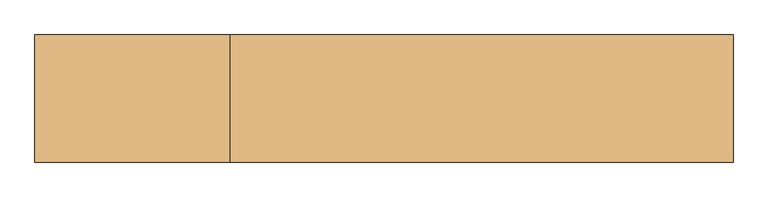
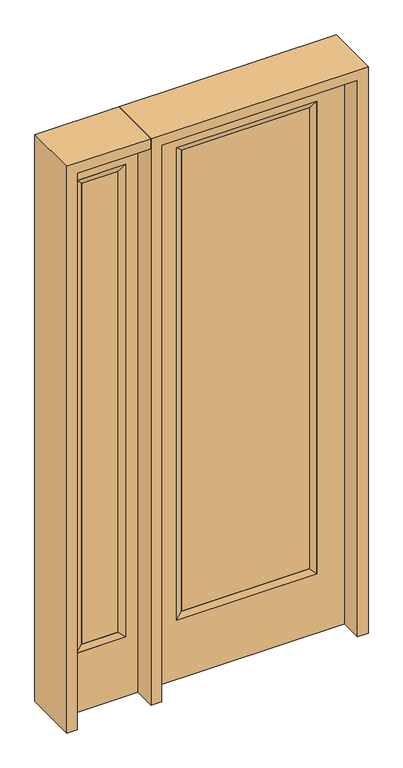
"""IFC4 building model written with IfcOpenShell, lengths in millimetres: door geometry."""

from ifc_helpers import new_model, si_unit, frame, origin, place, context, project, spatial, polyline, outline, extrude, faceted_brep, source, transform, mapped, element, save


def door_06182861(model_context):
    return source(origin(), model_context, "Body", "SolidModel", [
        extrude(outline(polyline([(265.5824, -12.7039749), (-265.5824, -12.7039749), (-265.5824, 14.2875), (265.5824, 14.2875), (265.5824, -12.7039749)])), frame((0.0, 0.0, 285.75), z_axis=(0.0, 0.0, 1.0), x_axis=(1.0, 0.0, 0.0)), (0.0, 0.0, 1.0), 2019.3),
        faceted_brep([(265.5824, 14.2875, 2305.05), (290.9824, 22.225, 2330.45), (290.9824, 22.225, 260.35), (265.5824, 14.2875, 285.75), (290.9824, -22.225, 2330.45), (290.9824, -22.225, 260.35), (-290.9824, 22.225, 260.35), (-265.5824, 14.2875, 285.75), (265.5824, -12.7039749, 2305.05), (265.5824, -12.7039749, 285.75), (-265.5824, -12.7039749, 285.75), (-290.9824, -22.225, 260.35), (-290.9824, 22.225, 2330.45), (-265.5824, 14.2875, 2305.05), (-265.5824, -12.7039749, 2305.05), (-290.9824, -22.225, 2330.45)], [[[0, 1, 2, 3]], [[1, 4, 5, 2]], [[3, 2, 6, 7]], [[8, 0, 3, 9]], [[9, 3, 7, 10]], [[4, 8, 9, 5]], [[5, 9, 10, 11]], [[2, 5, 11, 6]], [[7, 6, 12, 13]], [[10, 7, 13, 14]], [[11, 10, 14, 15]], [[6, 11, 15, 12]], [[13, 12, 1, 0]], [[14, 13, 0, 8]], [[15, 14, 8, 4]], [[12, 15, 4, 1]]]),
        extrude(outline(polyline([(0.0, -406.4), (0.0, 406.4), (2438.4, 406.4), (2438.4, -406.4), (0.0, -406.4)]), holes=[polyline([(260.35, -290.9824), (2330.45, -290.9824), (2330.45, 290.9824), (260.35, 290.9824), (260.35, -290.9824)])]), frame((0.0, -22.225, 0.0), z_axis=(0.0, 1.0, 0.0), x_axis=(0.0, 0.0, 1.0)), (0.0, 0.0, 1.0), 44.45),
        faceted_brep([(-501.65, 20.6375, 2330.45), (-501.65, -20.6375, 2330.45), (-501.65, -20.6375, 260.35), (-501.65, 20.6375, 260.35), (-527.05, -12.7, 2305.05), (-527.05, -12.7, 285.75), (-704.85, -20.6375, 260.35), (-704.85, 20.6375, 260.35), (-527.05, 12.7, 2305.05), (-527.05, 12.7, 285.75), (-679.45, 12.7, 285.75), (-679.45, -12.7, 285.75), (-704.85, -20.6375, 2330.45), (-704.85, 20.6375, 2330.45), (-679.45, 12.7, 2305.05), (-679.45, -12.7, 2305.05)], [[[0, 1, 2, 3]], [[1, 4, 5, 2]], [[3, 2, 6, 7]], [[8, 0, 3, 9]], [[9, 3, 7, 10]], [[4, 8, 9, 5]], [[5, 9, 10, 11]], [[2, 5, 11, 6]], [[7, 6, 12, 13]], [[10, 7, 13, 14]], [[11, 10, 14, 15]], [[6, 11, 15, 12]], [[13, 12, 1, 0]], [[14, 13, 0, 8]], [[15, 14, 8, 4]], [[12, 15, 4, 1]]]),
        extrude(outline(polyline([(0.0, -755.65), (0.0, -450.85), (2438.4, -450.85), (2438.4, -755.65), (0.0, -755.65)]), holes=[polyline([(2330.45, -501.65), (260.35, -501.65), (260.35, -704.85), (2330.45, -704.85), (2330.45, -501.65)])]), frame((0.0, -20.6375, 0.0), z_axis=(0.0, 1.0, 0.0), x_axis=(0.0, 0.0, 1.0)), (0.0, 0.0, 1.0), 41.275),
        extrude(outline(polyline([(-527.05, -12.7), (-679.45, -12.7), (-679.45, 12.7), (-527.05, 12.7), (-527.05, -12.7)])), frame((0.0, 0.0, 284.95625), z_axis=(0.0, 0.0, 1.0), x_axis=(1.0, 0.0, 0.0)), (0.0, 0.0, 1.0), 2020.09375),
        extrude(outline(polyline([(2438.4, -450.85), (2482.85, -450.85), (2482.85, -800.1), (0.0, -800.1), (0.0, -755.65), (2438.4, -755.65), (2438.4, -450.85)])), frame((0.0, -114.3, 0.0), z_axis=(0.0, 1.0, 0.0), x_axis=(0.0, 0.0, 1.0)), (0.0, 0.0, 1.0), 228.6),
        extrude(outline(polyline([(2482.85, -450.85), (0.0, -450.85), (0.0, -406.4), (2438.4, -406.4), (2438.4, 406.4), (0.0, 406.4), (0.0, 450.85), (2482.85, 450.85), (2482.85, -450.85)])), frame((0.0, -114.3, 0.0), z_axis=(0.0, 1.0, 0.0), x_axis=(0.0, 0.0, 1.0)), (0.0, 0.0, 1.0), 228.6),
    ])


if __name__ == "__main__":
    model = new_model("IFC4")
    model_context = context("Model", 3, world=origin())
    ifc_project = project(units=[si_unit("LENGTHUNIT", "METRE", prefix="MILLI")], contexts=[model_context])
    site = spatial("IfcSite", under=ifc_project)
    building = spatial("IfcBuilding", under=site)
    placement = place(None, origin())
    door_shape = door_06182861(model_context)
    element("IfcDoor", 1, at=placement, inside=building, context=model_context, shape_type="MappedRepresentation", body=[
        mapped(door_shape, transform((0.0, 0.0, 0.0), x_axis=(1.0, 0.0, 0.0), y_axis=(0.0, 1.0, 0.0), z_axis=(0.0, 0.0, 1.0))),
    ])
    save(model, "model.ifc")
